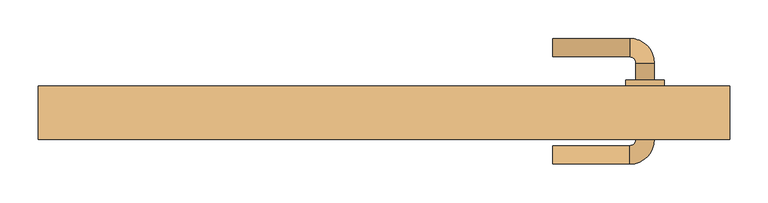
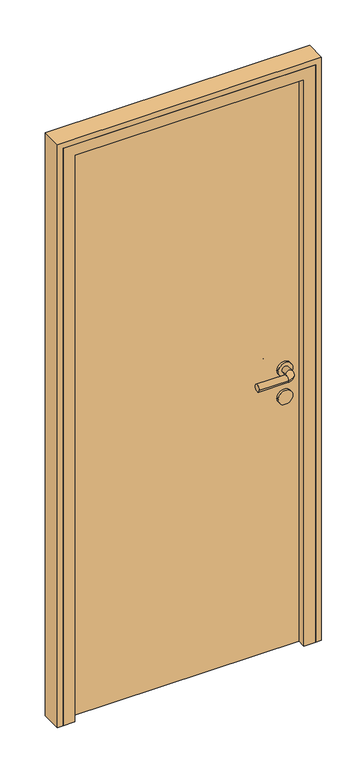
"""IFC4 building model written with IfcOpenShell, lengths in millimetres: door geometry."""

from ifc_helpers import new_model, si_unit, point, frame, frame_2d, origin, origin_with_axes, place, context, project, spatial, polyline, circle_curve, ellipse_curve, trimmed, segment, composite_curve, outline, extrude, faceted_brep, source, transform, mapped, element, save
from ifc_brep_helpers import plane_surface, cylinder_surface, revolved_surface, advanced_brep


def door_9cdd61a6(model_context):
    return source(origin(), model_context, "Body", "SolidModel", [
        advanced_brep(
        [(220.0, 122.0, 1000.0), (220.0, 98.0, 1000.0), (320.0, 98.0, 1000.0), (320.0, 122.0, 1000.0), (328.0, 90.0, 1000.0), (352.0, 90.0, 1000.0), (352.0, -10.0, 1000.0), (352.0, 12.0, 1000.0), (328.0, 12.0, 1000.0), (328.0, -10.0, 1000.0), (328.0, 68.0, 1000.0), (352.0, 68.0, 1000.0), (320.0, -18.0, 1000.0), (320.0, -42.0, 1000.0), (220.0, -42.0, 1000.0), (220.0, -18.0, 1000.0), (365.0, 68.0, 1000.0), (315.0, 68.0, 1000.0), (365.0, 12.0, 1000.0), (315.0, 12.0, 1000.0)],
        [
            (0, 1, circle_curve(frame((220.0, 110.0, 1000.0), z_axis=(-1.0, 0.0, 0.0), x_axis=(0.0, -1.0, 0.0)), 12.0)),
            (1, 0, circle_curve(frame((220.0, 110.0, 1000.0), z_axis=(-1.0, 0.0, 0.0), x_axis=(0.0, -1.0, 0.0)), 12.0)),
            (1, 2),
            (2, 3, circle_curve(frame((320.0, 110.0, 1000.0), z_axis=(-1.0, 0.0, 0.0), x_axis=(0.0, -1.0, 0.0)), 12.0)),
            (3, 0),
            (3, 2, circle_curve(frame((320.0, 110.0, 1000.0), z_axis=(-1.0, 0.0, 0.0), x_axis=(0.0, -1.0, 0.0)), 12.0)),
            (2, 4, circle_curve(frame((320.0, 90.0, 1000.0), z_axis=(0.0, 0.0, -1.0), x_axis=(0.0, 1.0, 0.0)), 8.0)),
            (4, 5, circle_curve(frame((340.0, 90.0, 1000.0), z_axis=(0.0, 1.0, 0.0), x_axis=(-1.0, 0.0, 0.0)), 12.0)),
            (5, 3, circle_curve(frame((320.0, 90.0, 1000.0), z_axis=(0.0, 0.0, 1.0), x_axis=(0.0, 1.0, 0.0)), 32.0)),
            (5, 4, circle_curve(frame((340.0, 90.0, 1000.0), z_axis=(0.0, 1.0, 0.0), x_axis=(-1.0, 0.0, 0.0)), 12.0)),
            (6, 7),
            (7, 8, circle_curve(frame((340.0, 12.0, 1000.0), z_axis=(0.0, -1.0, 0.0), x_axis=(-1.0, 0.0, 0.0)), 12.0)),
            (8, 9),
            (9, 6, circle_curve(frame((340.0, -10.0, 1000.0), z_axis=(0.0, 1.0, 0.0), x_axis=(-1.0, 0.0, 0.0)), 12.0)),
            (4, 10),
            (10, 11, circle_curve(frame((340.0, 68.0, 1000.0), z_axis=(0.0, 1.0, 0.0), x_axis=(-1.0, 0.0, 0.0)), 12.0)),
            (11, 5),
            (11, 10, circle_curve(frame((340.0, 68.0, 1000.0), z_axis=(0.0, 1.0, 0.0), x_axis=(-1.0, 0.0, 0.0)), 12.0)),
            (8, 7, circle_curve(frame((340.0, 12.0, 1000.0), z_axis=(0.0, -1.0, 0.0), x_axis=(-1.0, 0.0, 0.0)), 12.0)),
            (6, 9, circle_curve(frame((340.0, -10.0, 1000.0), z_axis=(0.0, 1.0, 0.0), x_axis=(-1.0, 0.0, 0.0)), 12.0)),
            (9, 12, circle_curve(frame((320.0, -10.0, 1000.0), z_axis=(0.0, 0.0, -1.0), x_axis=(1.0, 0.0, 0.0)), 8.0)),
            (12, 13, circle_curve(frame((320.0, -30.0, 1000.0), z_axis=(1.0, 0.0, 0.0), x_axis=(0.0, 1.0, 0.0)), 12.0)),
            (13, 6, circle_curve(frame((320.0, -10.0, 1000.0), z_axis=(0.0, 0.0, 1.0), x_axis=(1.0, 0.0, 0.0)), 32.0)),
            (13, 12, circle_curve(frame((320.0, -30.0, 1000.0), z_axis=(1.0, 0.0, 0.0), x_axis=(0.0, 1.0, 0.0)), 12.0)),
            (14, 15, circle_curve(frame((220.0, -30.0, 1000.0), z_axis=(-1.0, 0.0, 0.0), x_axis=(0.0, 1.0, 0.0)), 12.0)),
            (15, 14, circle_curve(frame((220.0, -30.0, 1000.0), z_axis=(-1.0, 0.0, 0.0), x_axis=(0.0, 1.0, 0.0)), 12.0)),
            (12, 15),
            (14, 13),
            (16, 17, circle_curve(frame((340.0, 68.0, 1000.0), z_axis=(0.0, 1.0, 0.0), x_axis=(-1.0, 0.0, 0.0)), 25.0)),
            (17, 16, circle_curve(frame((340.0, 68.0, 1000.0), z_axis=(0.0, 1.0, 0.0), x_axis=(-1.0, 0.0, 0.0)), 25.0)),
            (18, 19, circle_curve(frame((340.0, 12.0, 1000.0), z_axis=(0.0, -1.0, 0.0), x_axis=(-1.0, 0.0, 0.0)), 25.0)),
            (19, 18, circle_curve(frame((340.0, 12.0, 1000.0), z_axis=(0.0, -1.0, 0.0), x_axis=(-1.0, 0.0, 0.0)), 25.0)),
            (16, 18),
            (19, 17),
        ],
        [
            plane_surface(frame((220.0, 110.0, 1000.0), z_axis=(-1.0, 0.0, 0.0), x_axis=(0.0, 0.0, 1.0))),
            cylinder_surface(frame((220.0, 110.0, 1000.0), z_axis=(-1.0, 0.0, 0.0), x_axis=(0.0, -1.0, 0.0)), 12.0),
            revolved_surface(trimmed(ellipse_curve(frame((320.0, 110.0, 1000.0), z_axis=(1.0, 0.0, 0.0), x_axis=(0.0, -1.0, 0.0)), 12.0, 12.0), [point((320.0, 122.0, 1000.0))], [point((320.0, 98.0, 1000.0))], True, "CARTESIAN"), (320.0, 90.0, 1000.0), (0.0, 0.0, 1.0)),
            revolved_surface(trimmed(ellipse_curve(frame((320.0, 110.0, 1000.0), z_axis=(1.0, 0.0, 0.0), x_axis=(0.0, -1.0, 0.0)), 12.0, 12.0), [point((320.0, 98.0, 1000.0))], [point((320.0, 122.0, 1000.0))], True, "CARTESIAN"), (320.0, 90.0, 1000.0), (0.0, 0.0, 1.0)),
            cylinder_surface(frame((340.0, 90.0, 1000.0), z_axis=(0.0, 1.0, 0.0), x_axis=(-1.0, 0.0, 0.0)), 12.0),
            revolved_surface(trimmed(ellipse_curve(frame((340.0, -10.0, 1000.0), z_axis=(0.0, -1.0, 0.0), x_axis=(-1.0, 0.0, 0.0)), 12.0, 12.0), [point((352.0, -10.0, 1000.0))], [point((328.0, -10.0, 1000.0))], True, "CARTESIAN"), (320.0, -10.0, 1000.0), (0.0, 0.0, 1.0)),
            revolved_surface(trimmed(ellipse_curve(frame((340.0, -10.0, 1000.0), z_axis=(0.0, -1.0, 0.0), x_axis=(-1.0, 0.0, 0.0)), 12.0, 12.0), [point((328.0, -10.0, 1000.0))], [point((352.0, -10.0, 1000.0))], True, "CARTESIAN"), (320.0, -10.0, 1000.0), (0.0, 0.0, 1.0)),
            plane_surface(frame((220.0, -30.0, 1000.0), z_axis=(-1.0, 0.0, 0.0), x_axis=(0.0, 0.0, 1.0))),
            cylinder_surface(frame((320.0, -30.0, 1000.0), z_axis=(1.0, 0.0, 0.0), x_axis=(0.0, 1.0, 0.0)), 12.0),
            plane_surface(frame((315.0, 68.0, 1000.0), z_axis=(0.0, 1.0, 0.0), x_axis=(0.0, 0.0, -1.0))),
            plane_surface(frame((315.0, 12.0, 1000.0), z_axis=(0.0, -1.0, 0.0), x_axis=(0.0, 0.0, 1.0))),
            cylinder_surface(frame((340.0, 68.0, 1000.0), z_axis=(0.0, -1.0, 0.0), x_axis=(-1.0, 0.0, 0.0)), 25.0),
        ],
        [
            (0, [[1, 2]]),
            (1, [[3, 4, 5, -2]]),
            (1, [[-5, 6, -3, -1]]),
            (2, [[7, 8, 9, -4]]),
            (3, [[-9, 10, -7, -6]]),
            (4, [[11, 12, 13, 14]]),
            (4, [[15, 16, 17, -8]]),
            (4, [[-17, 18, -15, -10]]),
            (4, [[-13, 19, -11, 20]]),
            (5, [[21, 22, 23, -14]]),
            (6, [[-23, 24, -21, -20]]),
            (7, [[25, 26]]),
            (8, [[27, -25, 28, -22]]),
            (8, [[-28, -26, -27, -24]]),
            (9, [[29, 30], [-18, -16]]),
            (10, [[31, 32], [-19, -12]]),
            (11, [[33, -32, 34, -29]]),
            (11, [[-34, -31, -33, -30]]),
        ],
    ),
        extrude(outline(composite_curve([segment(trimmed(circle_curve(frame_2d((900.0, 340.0)), 25.0), [point((900.0, 365.0))], [point((900.0, 315.0))], False, "CARTESIAN"), True, "CONTINUOUS"), segment(trimmed(circle_curve(frame_2d((900.0, 340.0)), 25.0), [point((900.0, 315.0))], [point((900.0, 365.0))], False, "CARTESIAN"), True, "CONTINUOUS")], self_intersect=False)), frame((0.0, 12.0, 0.0), z_axis=(0.0, 1.0, 0.0), x_axis=(0.0, 0.0, 1.0)), (0.0, 0.0, 1.0), 56.0),
        extrude(outline(polyline([(400.0, 20.0), (-400.0, 20.0), (-400.0, 60.0), (400.0, 60.0), (400.0, 20.0)])), origin_with_axes(), (0.0, 0.0, 1.0), 2050.0),
        extrude(outline(polyline([(0.0, 450.0), (2100.0, 450.0), (2100.0, -450.0), (0.0, -450.0), (0.0, -430.0), (2080.0, -430.0), (2080.0, 430.0), (0.0, 430.0), (0.0, 450.0)])), frame((0.0, -10.0, 0.0), z_axis=(0.0, 1.0, 0.0), x_axis=(0.0, 0.0, 1.0)), (0.0, 0.0, 1.0), 70.0),
        faceted_brep([(-430.0, -10.0, 0.0), (-430.0, 60.0, 0.0), (-400.0, 60.0, 0.0), (-400.0, 20.0, 0.0), (-390.0, 20.0, 0.0), (-390.0, -10.0, 0.0), (-430.0, -10.0, 2080.0), (-430.0, 60.0, 2080.0), (430.0, 60.0, 2080.0), (430.0, 60.0, 0.0), (400.0, 60.0, 0.0), (400.0, 60.0, 2050.0), (-400.0, 60.0, 2050.0), (-400.0, 20.0, 2050.0), (400.0, 20.0, 2050.0), (400.0, 20.0, 0.0), (390.0, 20.0, 0.0), (390.0, 20.0, 2040.0), (-390.0, 20.0, 2040.0), (-390.0, -10.0, 2040.0), (390.0, -10.0, 2040.0), (390.0, -10.0, 0.0), (430.0, -10.0, 0.0), (430.0, -10.0, 2080.0)], [[[0, 1, 2, 3, 4, 5]], [[1, 0, 6, 7]], [[2, 1, 7, 8, 9, 10, 11, 12]], [[3, 2, 12, 13]], [[4, 3, 13, 14, 15, 16, 17, 18]], [[5, 4, 18, 19]], [[0, 5, 19, 20, 21, 22, 23, 6]], [[7, 6, 23, 8]], [[13, 12, 11, 14]], [[19, 18, 17, 20]], [[22, 21, 16, 15, 10, 9]], [[8, 23, 22, 9]], [[14, 11, 10, 15]], [[20, 17, 16, 21]]]),
    ])


if __name__ == "__main__":
    model = new_model("IFC4")
    model_context = context("Model", 3, world=origin())
    ifc_project = project(units=[si_unit("LENGTHUNIT", "METRE", prefix="MILLI")], contexts=[model_context])
    site = spatial("IfcSite", under=ifc_project)
    building = spatial("IfcBuilding", under=site)
    placement = place(None, origin())
    door_shape = door_9cdd61a6(model_context)
    element("IfcDoor", 1, at=placement, inside=building, context=model_context, shape_type="MappedRepresentation", body=[
        mapped(door_shape, transform((0.0, 0.0, 0.0), x_axis=(1.0, 0.0, 0.0), y_axis=(0.0, 1.0, 0.0), z_axis=(0.0, 0.0, 1.0))),
    ])
    save(model, "model.ifc")
